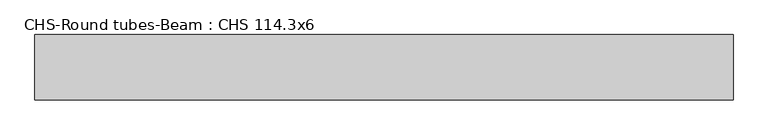
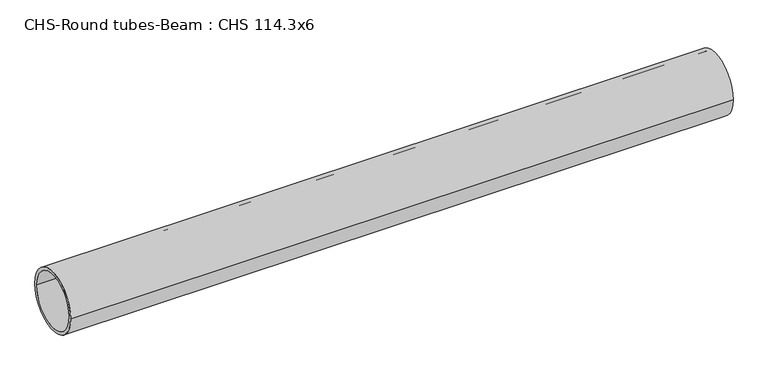
"""IFC4 building model written with IfcOpenShell, lengths in millimetres: beam geometry, CHS-Round tubes-Beam : CHS 114.3x6."""

from ifc_helpers import new_model, si_unit, point, frame, origin, origin_2d, place, context, project, spatial, circle_curve, trimmed, segment, composite_curve, outline, extrude, source, transform, mapped, element, save


def chs_round_tubes_beam_chs_114_3x6_26f69556(model_context):
    return source(origin(), model_context, "Body", "SweptSolid", [
        extrude(outline(composite_curve([segment(trimmed(circle_curve(origin_2d(), 57.15), [point((57.15, 0.0))], [point((-57.15, 0.0))], False, "CARTESIAN"), True, "CONTINUOUS"), segment(trimmed(circle_curve(origin_2d(), 57.15), [point((-57.15, 0.0))], [point((57.15, 0.0))], False, "CARTESIAN"), True, "CONTINUOUS")], self_intersect=False), holes=[composite_curve([segment(trimmed(circle_curve(origin_2d(), 51.15), [point((51.15, 0.0))], [point((-51.15, 0.0))], True, "CARTESIAN"), True, "CONTINUOUS"), segment(trimmed(circle_curve(origin_2d(), 51.15), [point((-51.15, 0.0))], [point((51.15, 0.0))], True, "CARTESIAN"), True, "CONTINUOUS")], self_intersect=False)]), frame((-632.9956481, 0.0, 0.0), z_axis=(1.0, 0.0, 0.0), x_axis=(0.0, 1.0, 0.0)), (0.0, 0.0, 1.0), 1220.2707733),
    ])


if __name__ == "__main__":
    model = new_model("IFC4")
    model_context = context("Model", 3, world=origin())
    ifc_project = project(units=[si_unit("LENGTHUNIT", "METRE", prefix="MILLI")], contexts=[model_context])
    site = spatial("IfcSite", under=ifc_project)
    building = spatial("IfcBuilding", under=site)
    placement = place(None, origin())
    chs_round_tubes_beam_chs_114_3x6_shape = chs_round_tubes_beam_chs_114_3x6_26f69556(model_context)
    element("IfcBeam", 1, ObjectType="CHS-Round tubes-Beam : CHS 114.3x6", at=placement, inside=building, context=model_context, shape_type="MappedRepresentation", body=[
        mapped(chs_round_tubes_beam_chs_114_3x6_shape, transform((0.0, 0.0, 0.0), x_axis=(1.0, 0.0, 0.0), y_axis=(0.0, 1.0, 0.0), z_axis=(0.0, 0.0, 1.0))),
    ])
    save(model, "model.ifc")
